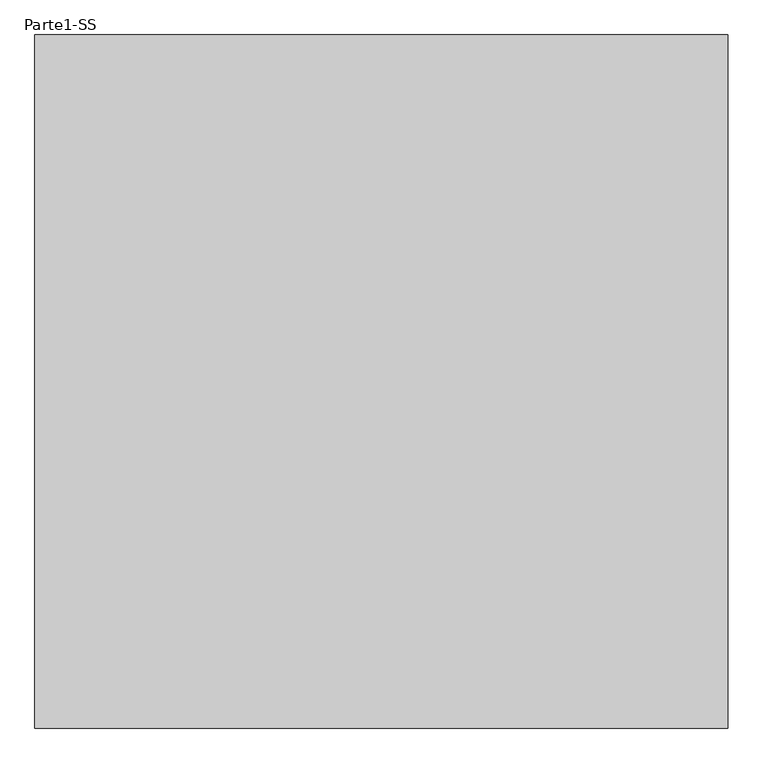
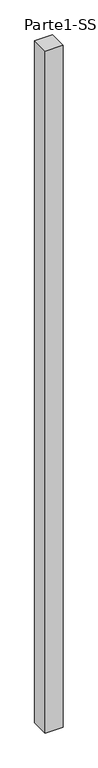
"""IFC4 building model written with IfcOpenShell, lengths in millimetres: proxy geometry, Parte1-SS."""

from ifc_helpers import new_model, si_unit, frame, origin, place, context, project, spatial, polyline, outline, extrude, source, transform, mapped, element, save


def parte1_ss_73e4dad2(model_context):
    return source(origin(), model_context, "Body", "SweptSolid", [
        extrude(outline(polyline([(2000.0, 2000.0), (2000.0, 0.0), (0.0, 0.0), (0.0, 2000.0), (2000.0, 2000.0)])), frame((0.0, 0.0, 10000.0), z_axis=(0.0, 0.0, 1.0), x_axis=(1.0, 0.0, 0.0)), (0.0, 0.0, 1.0), 80000.0),
    ])


if __name__ == "__main__":
    model = new_model("IFC4")
    model_context = context("Model", 3, world=origin())
    ifc_project = project(units=[si_unit("LENGTHUNIT", "METRE", prefix="MILLI")], contexts=[model_context])
    site = spatial("IfcSite", under=ifc_project)
    building = spatial("IfcBuilding", under=site)
    placement = place(None, origin())
    parte1_ss_shape = parte1_ss_73e4dad2(model_context)
    element("IfcBuildingElementProxy", 1, Name="Parte1-SS", ObjectType="Parte1-SS", at=placement, inside=building, context=model_context, shape_type="MappedRepresentation", body=[
        mapped(parte1_ss_shape, transform((0.0, 0.0, 0.0), x_axis=(1.0, 0.0, 0.0), y_axis=(0.0, 1.0, 0.0), z_axis=(0.0, 0.0, 1.0))),
    ])
    save(model, "model.ifc")
